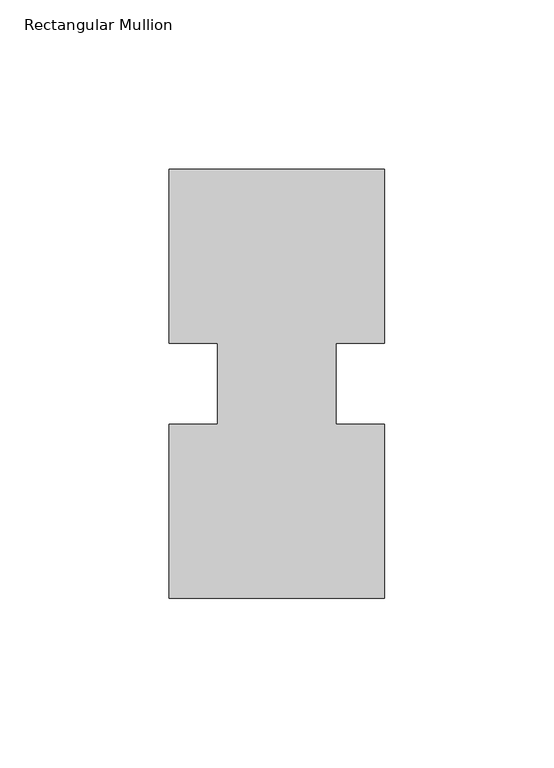
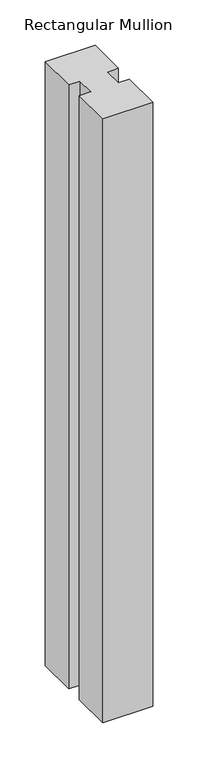
"""IFC4 building model written with IfcOpenShell, lengths in millimetres: member geometry, Rectangular Mullion."""

from ifc_helpers import new_model, si_unit, frame, origin, place, context, project, spatial, polyline, outline, extrude, source, transform, mapped, element, save


def rectangular_mullion_549123c7(model_context):
    return source(origin(), model_context, "Body", "SweptSolid", [
        extrude(outline(polyline([(-63.5, 0.26035), (-63.5, 51.60645), (-49.2125, 51.60645), (-49.2125, 75.40625), (-63.5, 75.40625), (-63.5, 126.75235), (0.0, 126.75235), (0.0, 75.40625), (-14.2748, 75.40625), (-14.2748, 51.60645), (0.0, 51.60645), (0.0, 0.26035), (-63.5, 0.26035)])), frame((0.0, 0.0, -812.8), z_axis=(0.0, 0.0, 1.0), x_axis=(1.0, 0.0, 0.0)), (0.0, 0.0, 1.0), 812.8),
    ])


if __name__ == "__main__":
    model = new_model("IFC4")
    model_context = context("Model", 3, world=origin())
    ifc_project = project(units=[si_unit("LENGTHUNIT", "METRE", prefix="MILLI")], contexts=[model_context])
    site = spatial("IfcSite", under=ifc_project)
    building = spatial("IfcBuilding", under=site)
    placement = place(None, origin())
    rectangular_mullion_shape = rectangular_mullion_549123c7(model_context)
    element("IfcMember", 1, ObjectType="Rectangular Mullion", at=placement, inside=building, context=model_context, shape_type="MappedRepresentation", body=[
        mapped(rectangular_mullion_shape, transform((0.0, 0.0, 0.0), x_axis=(1.0, 0.0, 0.0), y_axis=(0.0, 1.0, 0.0), z_axis=(0.0, 0.0, 1.0))),
    ])
    save(model, "model.ifc")
